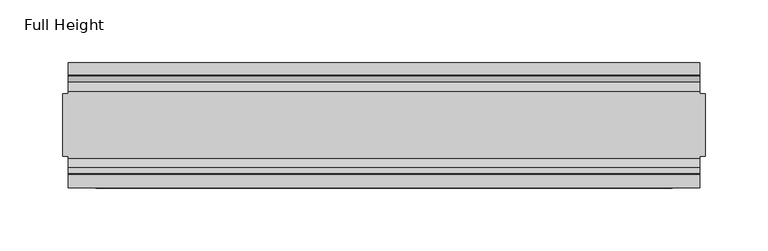
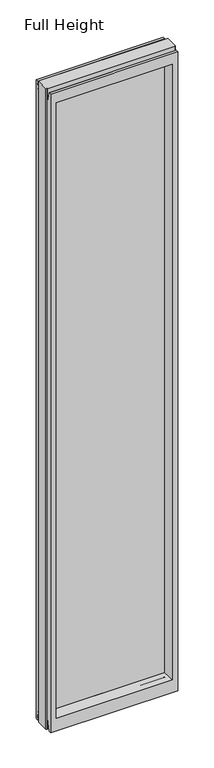
"""IFC4 building model written with IfcOpenShell, lengths in millimetres: plate geometry, Full Height."""

from ifc_helpers import new_model, si_unit, frame, origin, place, context, project, spatial, polyline, circle_curve, outline, extrude, source, transform, mapped, element, save
from ifc_brep_helpers import plane_surface, cylinder_surface, revolved_surface, advanced_brep


def full_height_8318c8f7(model_context):
    return source(origin(), model_context, "Body", "SolidModel", [
        extrude(outline(polyline([(224.536, 6.35), (224.536, -6.35), (-224.536, -6.35), (-224.536, 6.35), (224.536, 6.35)])), frame((0.0, 0.0, 58.801), z_axis=(0.0, 0.0, 1.0), x_axis=(1.0, 0.0, 0.0)), (0.0, 0.0, 1.0), 2569.845),
        advanced_brep(
        [(257.175, 25.146, 2688.336), (252.603, 25.146, 2688.336), (252.603, 26.67, 2688.336), (-252.603, 26.67, 2688.336), (-252.603, 25.146, 2688.336), (-257.175, 25.146, 2688.336), (-257.175, -25.146, 2688.336), (-252.603, -25.146, 2688.336), (-252.603, -26.67, 2688.336), (252.603, -26.67, 2688.336), (252.603, -25.146, 2688.336), (257.175, -25.146, 2688.336), (257.175, 25.146, 0.0), (257.175, -25.146, 0.0), (252.603, -25.146, 0.0), (252.603, -26.67, 0.0), (-252.603, -26.67, 0.0), (-252.603, -25.146, 0.0), (-257.175, -25.146, 0.0), (-257.175, 25.146, 0.0), (-252.603, 25.146, 0.0), (-252.603, 26.67, 0.0), (252.603, 26.67, 0.0), (252.603, 25.146, 0.0), (-252.603, 40.7946686, 0.0), (-252.603, 50.0, 0.0), (252.603, 50.0, 0.0), (252.603, 40.7946686, 0.0), (-252.603, 26.67, 36.4542208), (252.603, 26.67, 36.4542208), (-252.603, -26.67, 36.4542208), (-252.603, -34.2686707, 36.8568054), (-252.603, -36.9464913, 11.6561909), (-252.603, -39.043018, 8.6755976), (-252.603, -39.5246686, 7.9074686), (-252.603, -39.5246686, 1.27), (-252.603, -40.7946686, 0.0), (-252.603, -50.0, 0.0), (-252.603, -50.0, 2679.192), (-252.603, -39.9371387, 2679.192), (-252.603, -39.1867152, 2678.5623199), (-252.603, -34.2321175, 2650.4634004), (-252.603, -26.67, 2651.125), (-252.603, 39.5246686, 1.27), (-252.603, 39.5246686, 7.9074686), (-252.603, 39.043018, 8.6755976), (-252.603, 36.9464913, 11.6561909), (-252.603, 34.2686707, 36.8568054), (-252.603, 26.67, 2651.125), (-252.603, 34.2321175, 2650.4634004), (-252.603, 39.1867152, 2678.5623199), (-252.603, 39.9371387, 2679.192), (-252.603, 50.0, 2679.192), (252.603, -50.0, 0.0), (252.603, -50.0, 2679.192), (-230.505, -50.0, 2634.615), (230.505, -50.0, 2634.615), (230.505, -50.0, 52.8372208), (-230.505, -50.0, 52.8372208), (252.603, 50.0, 2679.192), (-230.505, 50.0, 52.8372208), (230.505, 50.0, 52.8372208), (230.505, 50.0, 2634.615), (-230.505, 50.0, 2634.615), (-224.536, -6.1006519, 58.8062208), (-224.536, -6.1006519, 2628.646), (-224.536, 6.1006519, 2628.646), (-224.536, 6.1006519, 58.8062208), (224.536, 6.1006519, 58.8062208), (224.536, 6.1006519, 2628.646), (224.536, -6.1006519, 2628.646), (224.536, -6.1006519, 58.8062208), (252.603, -40.7946686, 0.0), (252.603, -39.5246686, 1.27), (252.603, -39.5246686, 7.9074686), (252.603, -39.043018, 8.6755976), (252.603, -36.9464913, 11.6561909), (252.603, -34.2686707, 36.8568054), (252.603, -26.67, 36.4542208), (252.603, -26.67, 2651.125), (252.603, -34.2321175, 2650.4634004), (252.603, -39.1867152, 2678.5623199), (252.603, -39.9371387, 2679.192), (252.603, 39.9371387, 2679.192), (252.603, 39.1867152, 2678.5623199), (252.603, 34.2321175, 2650.4634004), (252.603, 26.67, 2651.125), (252.603, 34.2686707, 36.8568054), (252.603, 36.9464913, 11.6561909), (252.603, 39.043018, 8.6755976), (252.603, 39.5246686, 7.9074686), (252.603, 39.5246686, 1.27)],
        [
            (0, 1),
            (1, 2),
            (2, 3),
            (3, 4),
            (4, 5),
            (5, 6),
            (6, 7),
            (7, 8),
            (8, 9),
            (9, 10),
            (10, 11),
            (11, 0),
            (12, 13),
            (13, 14),
            (14, 15),
            (15, 16),
            (16, 17),
            (17, 18),
            (18, 19),
            (19, 20),
            (20, 21),
            (21, 22),
            (22, 23),
            (23, 12),
            (23, 1),
            (0, 12),
            (10, 14),
            (13, 11),
            (5, 19),
            (18, 6),
            (17, 7),
            (4, 20),
            (24, 25),
            (25, 26),
            (26, 27),
            (27, 24),
            (21, 28),
            (28, 29),
            (29, 22),
            (16, 30),
            (30, 31, circle_curve(frame((-252.603, -30.48, 36.4542208), z_axis=(1.0, 0.0, 0.0), x_axis=(0.0, -1.0, 0.0)), 3.81)),
            (31, 32),
            (32, 33, circle_curve(frame((-252.603, -40.6770502, 12.0526006), z_axis=(-1.0, 0.0, 0.0), x_axis=(0.0, -1.0, 0.0)), 3.751561)),
            (33, 34, circle_curve(frame((-252.603, -38.671343, 7.9074686), z_axis=(1.0, 0.0, 0.0), x_axis=(0.0, -1.0, 0.0)), 0.8533256)),
            (34, 35),
            (35, 36, circle_curve(frame((-252.603, -40.7946686, 1.27), z_axis=(-1.0, 0.0, 0.0), x_axis=(0.0, -1.0, 0.0)), 1.27)),
            (36, 37),
            (37, 38),
            (38, 39),
            (39, 40, circle_curve(frame((-252.603, -39.9371387, 2678.43), z_axis=(-1.0, 0.0, 0.0), x_axis=(0.0, -1.0, 0.0)), 0.762)),
            (40, 41),
            (41, 42, circle_curve(frame((-252.603, -30.48, 2651.125), z_axis=(1.0, 0.0, 0.0), x_axis=(0.0, -1.0, 0.0)), 3.81)),
            (42, 8),
            (24, 43, circle_curve(frame((-252.603, 40.7946686, 1.27), z_axis=(-1.0, 0.0, 0.0), x_axis=(0.0, -1.0, 0.0)), 1.27)),
            (43, 44),
            (44, 45, circle_curve(frame((-252.603, 38.671343, 7.9074686), z_axis=(1.0, 0.0, 0.0), x_axis=(0.0, -1.0, 0.0)), 0.8533256)),
            (45, 46, circle_curve(frame((-252.603, 40.6770502, 12.0526006), z_axis=(-1.0, 0.0, 0.0), x_axis=(0.0, -1.0, 0.0)), 3.751561)),
            (46, 47),
            (47, 28, circle_curve(frame((-252.603, 30.48, 36.4542208), z_axis=(1.0, 0.0, 0.0), x_axis=(0.0, -1.0, 0.0)), 3.81)),
            (3, 48),
            (48, 49, circle_curve(frame((-252.603, 30.48, 2651.125), z_axis=(1.0, 0.0, 0.0), x_axis=(0.0, -1.0, 0.0)), 3.81)),
            (49, 50),
            (50, 51, circle_curve(frame((-252.603, 39.9371387, 2678.43), z_axis=(-1.0, 0.0, 0.0), x_axis=(0.0, -1.0, 0.0)), 0.762)),
            (51, 52),
            (52, 25),
            (37, 53),
            (53, 54),
            (54, 38),
            (55, 56),
            (56, 57),
            (57, 58),
            (58, 55),
            (52, 59),
            (59, 26),
            (60, 61),
            (61, 62),
            (62, 63),
            (63, 60),
            (58, 64),
            (64, 65),
            (65, 55),
            (63, 66),
            (66, 67),
            (67, 60),
            (61, 68),
            (68, 69),
            (69, 62),
            (70, 71),
            (71, 57),
            (56, 70),
            (53, 72),
            (72, 73, circle_curve(frame((252.603, -40.7946686, 1.27), z_axis=(1.0, 0.0, 0.0), x_axis=(0.0, -1.0, 0.0)), 1.27)),
            (73, 74),
            (74, 75, circle_curve(frame((252.603, -38.671343, 7.9074686), z_axis=(-1.0, 0.0, 0.0), x_axis=(0.0, -1.0, 0.0)), 0.8533256)),
            (75, 76, circle_curve(frame((252.603, -40.6770502, 12.0526006), z_axis=(1.0, 0.0, 0.0), x_axis=(0.0, -1.0, 0.0)), 3.751561)),
            (76, 77),
            (77, 78, circle_curve(frame((252.603, -30.48, 36.4542208), z_axis=(-1.0, 0.0, 0.0), x_axis=(0.0, -1.0, 0.0)), 3.81)),
            (78, 15),
            (9, 79),
            (79, 80, circle_curve(frame((252.603, -30.48, 2651.125), z_axis=(-1.0, 0.0, 0.0), x_axis=(0.0, -1.0, 0.0)), 3.81)),
            (80, 81),
            (81, 82, circle_curve(frame((252.603, -39.9371387, 2678.43), z_axis=(1.0, 0.0, 0.0), x_axis=(0.0, -1.0, 0.0)), 0.762)),
            (82, 54),
            (59, 83),
            (83, 84, circle_curve(frame((252.603, 39.9371387, 2678.43), z_axis=(1.0, 0.0, 0.0), x_axis=(0.0, -1.0, 0.0)), 0.762)),
            (84, 85),
            (85, 86, circle_curve(frame((252.603, 30.48, 2651.125), z_axis=(-1.0, 0.0, 0.0), x_axis=(0.0, -1.0, 0.0)), 3.81)),
            (86, 2),
            (29, 87, circle_curve(frame((252.603, 30.48, 36.4542208), z_axis=(-1.0, 0.0, 0.0), x_axis=(0.0, -1.0, 0.0)), 3.81)),
            (87, 88),
            (88, 89, circle_curve(frame((252.603, 40.6770502, 12.0526006), z_axis=(1.0, 0.0, 0.0), x_axis=(0.0, -1.0, 0.0)), 3.751561)),
            (89, 90, circle_curve(frame((252.603, 38.671343, 7.9074686), z_axis=(-1.0, 0.0, 0.0), x_axis=(0.0, -1.0, 0.0)), 0.8533256)),
            (90, 91),
            (91, 27, circle_curve(frame((252.603, 40.7946686, 1.27), z_axis=(1.0, 0.0, 0.0), x_axis=(0.0, -1.0, 0.0)), 1.27)),
            (91, 43),
            (90, 44),
            (89, 45),
            (88, 46),
            (87, 47),
            (78, 30),
            (31, 77),
            (76, 32),
            (75, 33),
            (74, 34),
            (73, 35),
            (72, 36),
            (71, 64),
            (67, 68),
            (86, 48),
            (85, 49),
            (84, 50),
            (83, 51),
            (69, 66),
            (65, 70),
            (82, 39),
            (81, 40),
            (80, 41),
            (79, 42),
            (65, 66),
            (69, 70),
            (71, 68),
            (67, 64),
        ],
        [
            plane_surface(frame((252.603, 25.146, 2688.336), z_axis=(0.0, 0.0, 1.0), x_axis=(-1.0, 0.0, 0.0))),
            plane_surface(frame((252.603, 25.146, 0.0), z_axis=(0.0, 0.0, -1.0), x_axis=(1.0, 0.0, 0.0))),
            plane_surface(frame((257.175, 25.146, 2688.336), z_axis=(0.0, 1.0, 0.0), x_axis=(0.0, 0.0, -1.0))),
            plane_surface(frame((252.603, -25.146, 2688.336), z_axis=(0.0, -1.0, 0.0), x_axis=(0.0, 0.0, -1.0))),
            plane_surface(frame((257.175, -25.146, 2688.336), z_axis=(1.0, 0.0, 0.0), x_axis=(0.0, 0.0, -1.0))),
            plane_surface(frame((-257.175, 25.146, 2688.336), z_axis=(-1.0, 0.0, 0.0), x_axis=(0.0, 0.0, -1.0))),
            plane_surface(frame((-257.175, -25.146, 2688.336), z_axis=(0.0, -1.0, 0.0), x_axis=(0.0, 0.0, -1.0))),
            plane_surface(frame((-252.603, 25.146, 2688.336), z_axis=(0.0, 1.0, 0.0), x_axis=(0.0, 0.0, -1.0))),
            plane_surface(frame((-252.603, 50.0, 0.0), z_axis=(0.0, 0.0, -1.0), x_axis=(1.0, 0.0, 0.0))),
            plane_surface(frame((-252.603, 26.67, 36.4542208), z_axis=(0.0, 1.0, 0.0), x_axis=(1.0, 0.0, 0.0))),
            plane_surface(frame((-252.603, 50.0, 2646.4006), z_axis=(-1.0, 0.0, 0.0), x_axis=(0.0, 0.0, -1.0))),
            plane_surface(frame((-252.603, -50.0, 2646.4006), z_axis=(0.0, -1.0, 0.0), x_axis=(0.0, 0.0, -1.0))),
            plane_surface(frame((-230.505, 50.0, 2646.4006), z_axis=(0.0, 1.0, 0.0), x_axis=(0.0, 0.0, -1.0))),
            plane_surface(frame((-230.505, -50.0, 2646.4006), z_axis=(0.9908822943533606, -0.13473039277393942, 0.0), x_axis=(0.0, 0.0, -1.0))),
            plane_surface(frame((-224.536, 6.1006519, 2646.4006), z_axis=(0.9908822943533612, 0.13473039277393595, 0.0), x_axis=(0.0, 0.0, -1.0))),
            plane_surface(frame((230.505, 50.0, 2646.4006), z_axis=(-0.9908822943533605, 0.1347303927739403, 0.0), x_axis=(0.0, 0.0, -1.0))),
            plane_surface(frame((224.536, -6.1006519, 2646.4006), z_axis=(-0.9908822943533563, -0.13473039277397156, 0.0), x_axis=(0.0, 0.0, -1.0))),
            plane_surface(frame((252.603, -50.0, 2646.4006), z_axis=(1.0, 0.0, 0.0), x_axis=(0.0, 0.0, -1.0))),
            cylinder_surface(frame((252.603, 40.7946686, 1.27), z_axis=(-1.0, 0.0, 0.0), x_axis=(0.0, -1.0, 0.0)), 1.27),
            plane_surface(frame((-252.603, 39.5246686, 1.27), z_axis=(0.0, -1.0, 0.0), x_axis=(1.0, 0.0, 0.0))),
            revolved_surface(polyline([(252.603, 37.8180174, 7.9074686), (-252.603, 37.8180174, 7.9074686)]), (252.603, 38.671343, 7.9074686), (1.0, 0.0, 0.0)),
            cylinder_surface(frame((252.603, 40.6770502, 12.0526006), z_axis=(-1.0, 0.0, 0.0), x_axis=(0.0, -1.0, 0.0)), 3.751561),
            plane_surface(frame((-252.603, 36.9464913, 11.6561909), z_axis=(0.0, -0.9944017560866671, -0.10566526151840386), x_axis=(1.0, 0.0, 0.0))),
            plane_surface(frame((-252.603, -26.67, 0.0), z_axis=(0.0, -1.0, 0.0), x_axis=(1.0, 0.0, 0.0))),
            plane_surface(frame((-252.603, -34.2686707, 36.8568054), z_axis=(0.0, 0.994401756086622, -0.10566526151882928), x_axis=(1.0, 0.0, 0.0))),
            cylinder_surface(frame((252.603, -40.6770502, 12.0526006), z_axis=(-1.0, 0.0, 0.0), x_axis=(0.0, -1.0, 0.0)), 3.751561),
            revolved_surface(polyline([(252.603, -39.5246686, 7.9074686), (-252.603, -39.5246686, 7.9074686)]), (252.603, -38.671343, 7.9074686), (1.0, 0.0, 0.0)),
            plane_surface(frame((-252.603, -39.5246686, 7.9074686), z_axis=(0.0, 1.0, 0.0), x_axis=(1.0, 0.0, 0.0))),
            cylinder_surface(frame((252.603, -40.7946686, 1.27), z_axis=(-1.0, 0.0, 0.0), x_axis=(0.0, -1.0, 0.0)), 1.27),
            plane_surface(frame((-252.603, -40.7946686, 0.0), z_axis=(0.0, 0.0, -1.0), x_axis=(1.0, 0.0, 0.0))),
            plane_surface(frame((-252.603, -50.0, 52.8372208), z_axis=(0.0, -0.13473039277394736, 0.9908822943533596), x_axis=(1.0, 0.0, 0.0))),
            plane_surface(frame((-252.603, 6.1006519, 58.8062208), z_axis=(0.0, 0.1347303927739993, 0.9908822943533525), x_axis=(1.0, 0.0, 0.0))),
            revolved_surface(polyline([(252.603, 26.67, 36.4542208), (-252.603, 26.67, 36.4542208)]), (252.603, 30.48, 36.4542208), (1.0, 0.0, 0.0)),
            revolved_surface(polyline([(252.603, -34.29, 36.4542208), (-252.603, -34.29, 36.4542208)]), (252.603, -30.48, 36.4542208), (1.0, 0.0, 0.0)),
            plane_surface(frame((-252.603, 26.67, 2688.336), z_axis=(0.0, 1.0, 0.0), x_axis=(1.0, 0.0, 0.0))),
            revolved_surface(polyline([(252.603, 26.67, 2651.125), (-252.603, 26.67, 2651.125)]), (-257.175, 30.48, 2651.125), (1.0, 0.0, 0.0)),
            plane_surface(frame((-252.603, 34.2321175, 2650.4634004), z_axis=(0.0, -0.9848077530113118, 0.17364817767201302), x_axis=(1.0, 0.0, 0.0))),
            cylinder_surface(frame((-257.175, 39.9371387, 2678.43), z_axis=(-1.0, 0.0, 0.0), x_axis=(0.0, -1.0, 0.0)), 0.762),
            plane_surface(frame((-252.603, 39.9371387, 2679.192), z_axis=(0.0, 0.0, 1.0), x_axis=(1.0, 0.0, 0.0))),
            plane_surface(frame((-252.603, 50.0, 2634.615), z_axis=(0.0, 0.13473039277345053, -0.9908822943534271), x_axis=(1.0, 0.0, 0.0))),
            plane_surface(frame((-252.603, -6.1006519, 2628.646), z_axis=(0.0, -0.13473039277247864, -0.9908822943535593), x_axis=(1.0, 0.0, 0.0))),
            plane_surface(frame((-252.603, -50.0, 2679.192), z_axis=(0.0, 0.0, 1.0), x_axis=(1.0, 0.0, 0.0))),
            cylinder_surface(frame((-257.175, -39.9371387, 2678.43), z_axis=(-1.0, 0.0, 0.0), x_axis=(0.0, -1.0, 0.0)), 0.762),
            plane_surface(frame((-252.603, -39.1867152, 2678.5623199), z_axis=(0.0, 0.9848077530103964, 0.17364817767720517), x_axis=(1.0, 0.0, 0.0))),
            revolved_surface(polyline([(252.603, -34.29, 2651.125), (-252.603, -34.29, 2651.125)]), (-257.175, -30.48, 2651.125), (1.0, 0.0, 0.0)),
            plane_surface(frame((-252.603, -26.67, 2651.125), z_axis=(0.0, -1.0, 0.0), x_axis=(1.0, 0.0, 0.0))),
            plane_surface(frame((-252.603, 6.1006519, 2628.646), z_axis=(0.0, 0.0, -1.0), x_axis=(1.0, 0.0, 0.0))),
            plane_surface(frame((-252.603, -6.1006519, 58.8062208), z_axis=(0.0, 0.0, 1.0), x_axis=(1.0, 0.0, 0.0))),
            plane_surface(frame((-224.536, -6.1006519, 2646.4006), z_axis=(1.0, 0.0, 0.0), x_axis=(0.0, 0.0, -1.0))),
            plane_surface(frame((224.536, 6.1006519, 2646.4006), z_axis=(-1.0, 0.0, 0.0), x_axis=(0.0, 0.0, -1.0))),
        ],
        [
            (0, [[1, 2, 3, 4, 5, 6, 7, 8, 9, 10, 11, 12]]),
            (1, [[13, 14, 15, 16, 17, 18, 19, 20, 21, 22, 23, 24]]),
            (2, [[25, -1, 26, -24]]),
            (3, [[-11, 27, -14, 28]]),
            (4, [[-12, -28, -13, -26]]),
            (5, [[-6, 29, -19, 30]]),
            (6, [[31, -7, -30, -18]]),
            (7, [[-5, 32, -20, -29]]),
            (8, [[33, 34, 35, 36]]),
            (9, [[37, 38, 39, -22]]),
            (10, [[-17, 40, 41, 42, 43, 44, 45, 46, 47, 48, 49, 50, 51, 52, 53, -8, -31]]),
            (10, [[-33, 54, 55, 56, 57, 58, 59, -37, -21, -32, -4, 60, 61, 62, 63, 64, 65]]),
            (11, [[-48, 66, 67, 68], [69, 70, 71, 72]]),
            (12, [[-65, 73, 74, -34], [75, 76, 77, 78]]),
            (13, [[-72, 79, 80, 81]]),
            (14, [[-78, 82, 83, 84]]),
            (15, [[-76, 85, 86, 87]]),
            (16, [[88, 89, -70, 90]]),
            (17, [[-67, 91, 92, 93, 94, 95, 96, 97, 98, -15, -27, -10, 99, 100, 101, 102, 103]]),
            (17, [[-74, 104, 105, 106, 107, 108, -2, -25, -23, -39, 109, 110, 111, 112, 113, 114, -35]]),
            (18, [[-54, -36, -114, 115]]),
            (19, [[-55, -115, -113, 116]]),
            (20, [[-56, -116, -112, 117]]),
            (21, [[-57, -117, -111, 118]]),
            (22, [[-58, -118, -110, 119]]),
            (23, [[-40, -16, -98, 120]]),
            (24, [[-42, 121, -96, 122]]),
            (25, [[-43, -122, -95, 123]]),
            (26, [[-44, -123, -94, 124]]),
            (27, [[-45, -124, -93, 125]]),
            (28, [[-46, -125, -92, 126]]),
            (29, [[-47, -126, -91, -66]]),
            (30, [[-71, -89, 127, -79]]),
            (31, [[-75, -84, 128, -85]]),
            (32, [[-59, -119, -109, -38]]),
            (33, [[-41, -120, -97, -121]]),
            (34, [[-60, -3, -108, 129]]),
            (35, [[-61, -129, -107, 130]]),
            (36, [[-62, -130, -106, 131]]),
            (37, [[-63, -131, -105, 132]]),
            (38, [[-64, -132, -104, -73]]),
            (39, [[-77, -87, 133, -82]]),
            (40, [[-69, -81, 134, -90]]),
            (41, [[-49, -68, -103, 135]]),
            (42, [[-50, -135, -102, 136]]),
            (43, [[-51, -136, -101, 137]]),
            (44, [[-52, -137, -100, 138]]),
            (45, [[-53, -138, -99, -9]]),
            (46, [[-134, 139, -133, 140]]),
            (47, [[-127, 141, -128, 142]]),
            (48, [[-83, -139, -80, -142]]),
            (49, [[-88, -140, -86, -141]]),
        ],
    ),
        extrude(outline(polyline([(-224.536, 6.35), (224.536, 6.35), (224.536, -6.35), (-224.536, -6.35), (-224.536, 6.35)])), frame((0.0, 0.0, 58.8062208), z_axis=(0.0, 0.0, 1.0), x_axis=(1.0, 0.0, 0.0)), (0.0, 0.0, 1.0), 2569.8397792),
    ])


if __name__ == "__main__":
    model = new_model("IFC4")
    model_context = context("Model", 3, world=origin())
    ifc_project = project(units=[si_unit("LENGTHUNIT", "METRE", prefix="MILLI")], contexts=[model_context])
    site = spatial("IfcSite", under=ifc_project)
    building = spatial("IfcBuilding", under=site)
    placement = place(None, origin())
    full_height_shape = full_height_8318c8f7(model_context)
    element("IfcPlate", 1, ObjectType="Full Height", at=placement, inside=building, context=model_context, shape_type="MappedRepresentation", body=[
        mapped(full_height_shape, transform((0.0, 0.0, 0.0), x_axis=(1.0, 0.0, 0.0), y_axis=(0.0, 1.0, 0.0), z_axis=(0.0, 0.0, 1.0))),
    ])
    save(model, "model.ifc")
